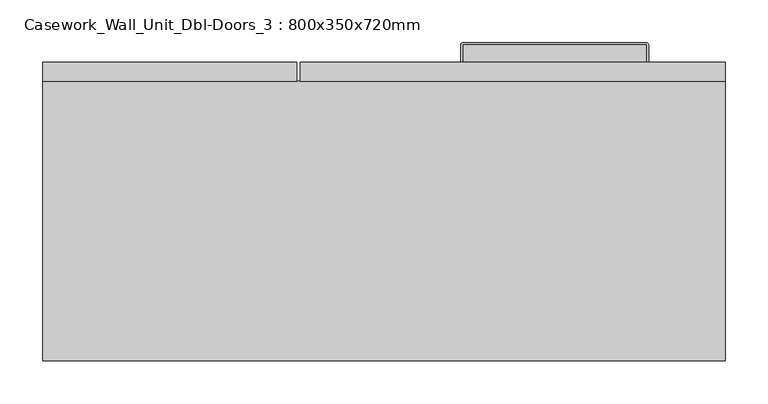
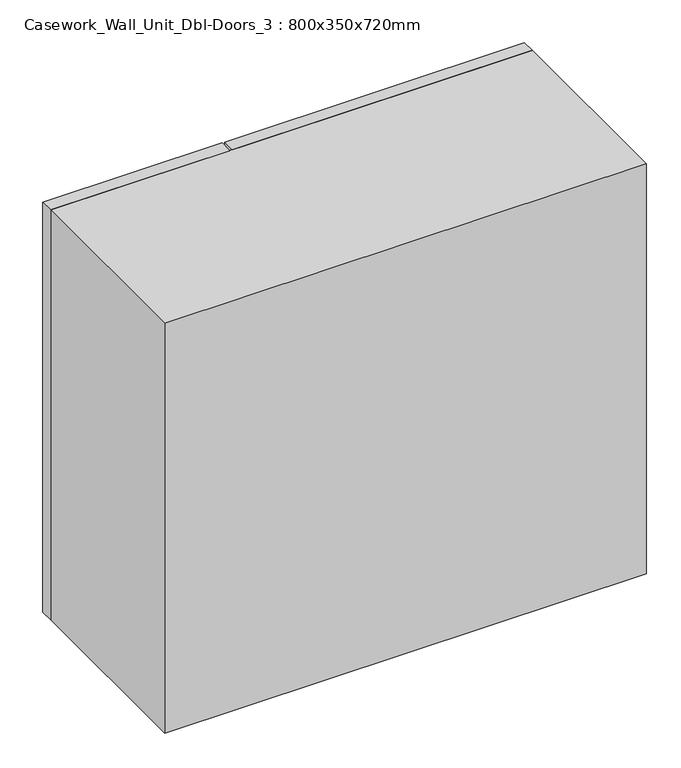
"""IFC4 building model written with IfcOpenShell, lengths in millimetres: furniture geometry, Casework_Wall_Unit_Dbl-Doors_3 : 800x350x720mm."""

from ifc_helpers import new_model, si_unit, point, frame, frame_2d, origin, place, context, project, spatial, polyline, circle_curve, trimmed, segment, composite_curve, outline, extrude, faceted_brep, source, transform, mapped, element, save


def casework_wall_unit_dbl_doors_3_800x350x720mm_fe358b85(model_context):
    return source(origin(), model_context, "Body", "SolidModel", [
        extrude(outline(composite_curve([segment(polyline([(-133.0, 365.0), (-133.0, 385.5)]), True, "CONTINUOUS"), segment(trimmed(circle_curve(frame_2d((-132.5, 385.5)), 0.5), [point((-133.0, 385.5))], [point((-132.5, 386.0))], False, "CARTESIAN"), True, "CONTINUOUS"), segment(polyline([(-132.5, 386.0), (82.5, 386.0)]), True, "CONTINUOUS"), segment(trimmed(circle_curve(frame_2d((82.5, 385.5)), 0.5), [point((82.5, 386.0))], [point((83.0, 385.5))], False, "CARTESIAN"), True, "CONTINUOUS"), segment(polyline([(83.0, 385.5), (83.0, 365.0), (-133.0, 365.0)]), True, "CONTINUOUS")], self_intersect=False)), frame((0.0, 0.0, 1369.5509264), z_axis=(0.0, 0.0, 1.0), x_axis=(1.0, 0.0, 0.0)), (0.0, 0.0, 1.0), 6.4890959),
        extrude(outline(composite_curve([segment(polyline([(-135.0, 365.0), (-135.0, 385.5)]), True, "CONTINUOUS"), segment(trimmed(circle_curve(frame_2d((-132.5, 385.5)), 2.5), [point((-135.0, 385.5))], [point((-132.5, 388.0))], False, "CARTESIAN"), True, "CONTINUOUS"), segment(polyline([(-132.5, 388.0), (82.5, 388.0)]), True, "CONTINUOUS"), segment(trimmed(circle_curve(frame_2d((82.5, 385.5)), 2.5), [point((82.5, 388.0))], [point((85.0, 385.5))], False, "CARTESIAN"), True, "CONTINUOUS"), segment(polyline([(85.0, 385.5), (85.0, 365.0), (83.0, 365.0), (83.0, 385.5)]), True, "CONTINUOUS"), segment(trimmed(circle_curve(frame_2d((82.5, 385.5)), 0.5), [point((83.0, 385.5))], [point((82.5, 386.0))], True, "CARTESIAN"), True, "CONTINUOUS"), segment(polyline([(82.5, 386.0), (-132.5, 386.0)]), True, "CONTINUOUS"), segment(trimmed(circle_curve(frame_2d((-132.5, 385.5)), 0.5), [point((-132.5, 386.0))], [point((-133.0, 385.5))], True, "CARTESIAN"), True, "CONTINUOUS"), segment(polyline([(-133.0, 385.5), (-133.0, 365.0), (-135.0, 365.0)]), True, "CONTINUOUS")], self_intersect=False)), frame((0.0, 0.0, 1366.7855373), z_axis=(0.0, 0.0, 1.0), x_axis=(1.0, 0.0, 0.0)), (0.0, 0.0, 1.0), 12.0),
        extrude(outline(composite_curve([segment(polyline([(267.0, 417.5), (267.0, 438.0)]), True, "CONTINUOUS"), segment(trimmed(circle_curve(frame_2d((267.5, 438.0)), 0.5), [point((267.0, 438.0))], [point((267.5, 438.5))], False, "CARTESIAN"), True, "CONTINUOUS"), segment(polyline([(267.5, 438.5), (482.5, 438.5)]), True, "CONTINUOUS"), segment(trimmed(circle_curve(frame_2d((482.5, 438.0)), 0.5), [point((482.5, 438.5))], [point((483.0, 438.0))], False, "CARTESIAN"), True, "CONTINUOUS"), segment(polyline([(483.0, 438.0), (483.0, 417.5), (267.0, 417.5)]), True, "CONTINUOUS")], self_intersect=False)), frame((0.0, 0.0, 1369.5509264), z_axis=(0.0, 0.0, 1.0), x_axis=(1.0, 0.0, 0.0)), (0.0, 0.0, 1.0), 6.4890959),
        extrude(outline(composite_curve([segment(polyline([(265.0, 417.5), (265.0, 438.0)]), True, "CONTINUOUS"), segment(trimmed(circle_curve(frame_2d((267.5, 438.0)), 2.5), [point((265.0, 438.0))], [point((267.5, 440.5))], False, "CARTESIAN"), True, "CONTINUOUS"), segment(polyline([(267.5, 440.5), (482.5, 440.5)]), True, "CONTINUOUS"), segment(trimmed(circle_curve(frame_2d((482.5, 438.0)), 2.5), [point((482.5, 440.5))], [point((485.0, 438.0))], False, "CARTESIAN"), True, "CONTINUOUS"), segment(polyline([(485.0, 438.0), (485.0, 417.5), (483.0, 417.5), (483.0, 438.0)]), True, "CONTINUOUS"), segment(trimmed(circle_curve(frame_2d((482.5, 438.0)), 0.5), [point((483.0, 438.0))], [point((482.5, 438.5))], True, "CARTESIAN"), True, "CONTINUOUS"), segment(polyline([(482.5, 438.5), (267.5, 438.5)]), True, "CONTINUOUS"), segment(trimmed(circle_curve(frame_2d((267.5, 438.0)), 0.5), [point((267.5, 438.5))], [point((267.0, 438.0))], True, "CARTESIAN"), True, "CONTINUOUS"), segment(polyline([(267.0, 438.0), (267.0, 417.5), (265.0, 417.5)]), True, "CONTINUOUS")], self_intersect=False)), frame((0.0, 0.0, 1366.7855373), z_axis=(0.0, 0.0, 1.0), x_axis=(1.0, 0.0, 0.0)), (0.0, 0.0, 1.0), 12.0),
        extrude(outline(polyline([(77.0, 417.5), (575.0, 417.5), (575.0, 395.5), (77.0, 395.5), (77.0, 417.5)])), frame((0.0, 0.0, 1319.7855373), z_axis=(0.0, 0.0, 1.0), x_axis=(1.0, 0.0, 0.0)), (0.0, 0.0, 1.0), 720.0),
        extrude(outline(polyline([(-225.0, 417.5), (73.0, 417.5), (73.0, 395.5), (-225.0, 395.5), (-225.0, 417.5)])), frame((0.0, 0.0, 1319.7855373), z_axis=(0.0, 0.0, 1.0), x_axis=(1.0, 0.0, 0.0)), (0.0, 0.0, 1.0), 720.0),
        faceted_brep([(553.0, 395.5, 1341.7855373), (-203.0, 395.5, 1341.7855373), (-203.0, 89.5, 1341.7855373), (553.0, 89.5, 1341.7855373), (575.0, 395.5, 1319.7855373), (575.0, 67.5, 1319.7855373), (-225.0, 67.5, 1319.7855373), (-225.0, 395.5, 1319.7855373), (-225.0, 395.5, 2039.7855373), (575.0, 395.5, 2039.7855373), (553.0, 395.5, 2017.7855373), (-203.0, 395.5, 2017.7855373), (-225.0, 67.5, 2039.7855373), (575.0, 67.5, 2039.7855373), (553.0, 89.5, 2017.7855373), (-203.0, 89.5, 2017.7855373)], [[[0, 1, 2, 3]], [[4, 5, 6, 7]], [[8, 9, 4, 7], [0, 10, 11, 1]], [[8, 7, 6, 12]], [[12, 6, 5, 13]], [[13, 5, 4, 9]], [[10, 0, 3, 14]], [[14, 3, 2, 15]], [[1, 11, 15, 2]], [[9, 8, 12, 13]], [[11, 10, 14, 15]]]),
    ])


if __name__ == "__main__":
    model = new_model("IFC4")
    model_context = context("Model", 3, world=origin())
    ifc_project = project(units=[si_unit("LENGTHUNIT", "METRE", prefix="MILLI")], contexts=[model_context])
    site = spatial("IfcSite", under=ifc_project)
    building = spatial("IfcBuilding", under=site)
    placement = place(None, origin())
    casework_wall_unit_dbl_doors_3_800x350x720mm_shape = casework_wall_unit_dbl_doors_3_800x350x720mm_fe358b85(model_context)
    element("IfcFurniture", 1, ObjectType="Casework_Wall_Unit_Dbl-Doors_3 : 800x350x720mm", at=placement, inside=building, context=model_context, shape_type="MappedRepresentation", body=[
        mapped(casework_wall_unit_dbl_doors_3_800x350x720mm_shape, transform((0.0, 0.0, 0.0), x_axis=(1.0, 0.0, 0.0), y_axis=(0.0, 1.0, 0.0), z_axis=(0.0, 0.0, 1.0))),
    ])
    save(model, "model.ifc")
